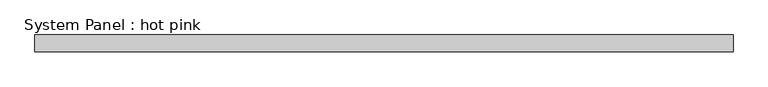
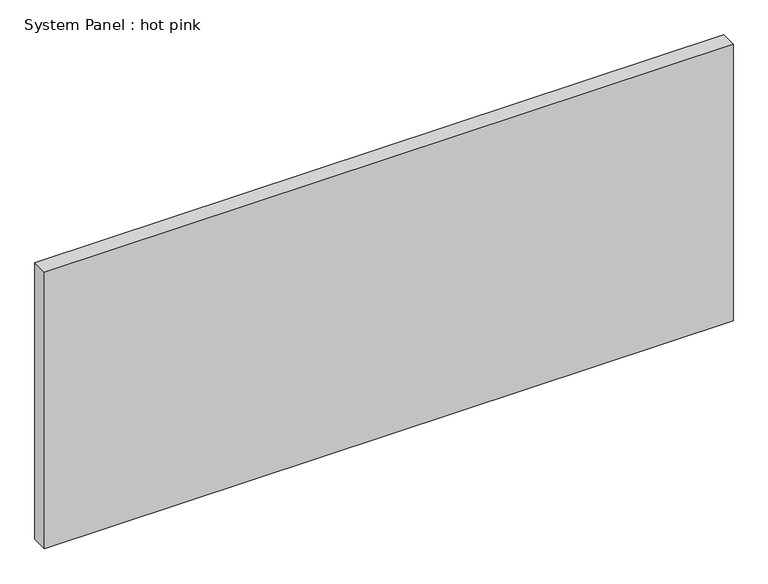
"""IFC4 building model written with IfcOpenShell, lengths in millimetres: plate geometry, System Panel : hot pink."""

from ifc_helpers import new_model, si_unit, origin, origin_with_axes, place, context, project, spatial, polyline, outline, extrude, source, transform, mapped, element, save


def system_panel_hot_pink_d8b98f89(model_context):
    return source(origin(), model_context, "Body", "SweptSolid", [
        extrude(outline(polyline([(1323.975, -44.45), (-1323.975, -44.45), (-1323.975, 19.05), (1323.975, 19.05), (1323.975, -44.45)])), origin_with_axes(), (0.0, 0.0, 1.0), 1123.95),
    ])


if __name__ == "__main__":
    model = new_model("IFC4")
    model_context = context("Model", 3, world=origin())
    ifc_project = project(units=[si_unit("LENGTHUNIT", "METRE", prefix="MILLI")], contexts=[model_context])
    site = spatial("IfcSite", under=ifc_project)
    building = spatial("IfcBuilding", under=site)
    placement = place(None, origin())
    system_panel_hot_pink_shape = system_panel_hot_pink_d8b98f89(model_context)
    element("IfcPlate", 1, ObjectType="System Panel : hot pink", at=placement, inside=building, context=model_context, shape_type="MappedRepresentation", body=[
        mapped(system_panel_hot_pink_shape, transform((0.0, 0.0, 0.0), x_axis=(1.0, 0.0, 0.0), y_axis=(0.0, 1.0, 0.0), z_axis=(0.0, 0.0, 1.0))),
    ])
    save(model, "model.ifc")
